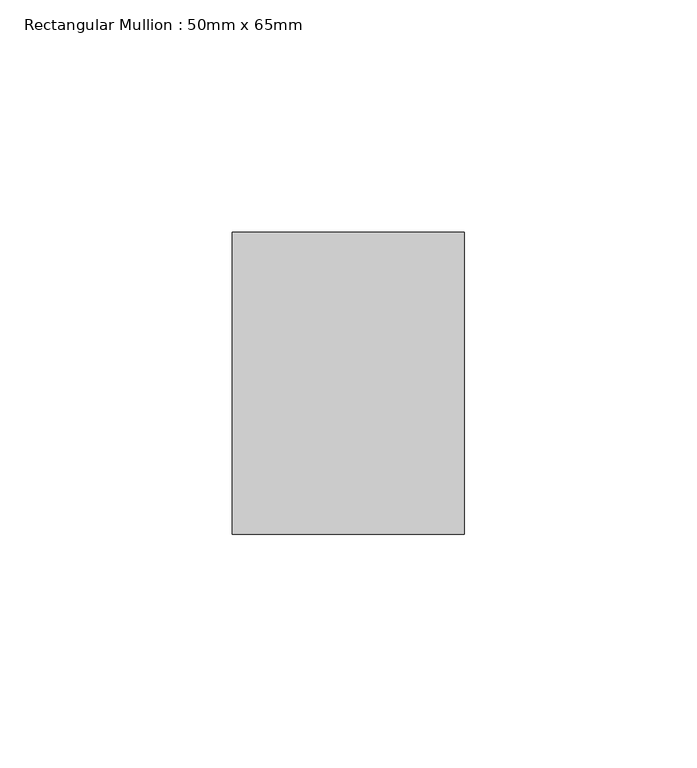
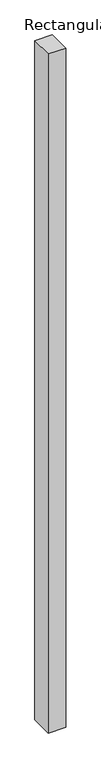
"""IFC4 building model written with IfcOpenShell, lengths in millimetres: member geometry, Rectangular Mullion : 50mm x 65mm."""

from ifc_helpers import new_model, si_unit, frame, origin, place, context, project, spatial, polyline, outline, extrude, source, transform, mapped, element, save


def rectangular_mullion_50mm_x_65mm_1fde7408(model_context):
    return source(origin(), model_context, "Body", "SweptSolid", [
        extrude(outline(polyline([(25.0, 32.5), (25.0, -32.5), (-25.0, -32.5), (-25.0, 32.5), (25.0, 32.5)])), frame((0.0, 0.0, -2042.039154), z_axis=(0.0, 0.0, 1.0), x_axis=(1.0, 0.0, 0.0)), (0.0, 0.0, 1.0), 2042.039154),
    ])


if __name__ == "__main__":
    model = new_model("IFC4")
    model_context = context("Model", 3, world=origin())
    ifc_project = project(units=[si_unit("LENGTHUNIT", "METRE", prefix="MILLI")], contexts=[model_context])
    site = spatial("IfcSite", under=ifc_project)
    building = spatial("IfcBuilding", under=site)
    placement = place(None, origin())
    rectangular_mullion_50mm_x_65mm_shape = rectangular_mullion_50mm_x_65mm_1fde7408(model_context)
    element("IfcMember", 1, ObjectType="Rectangular Mullion : 50mm x 65mm", at=placement, inside=building, context=model_context, shape_type="MappedRepresentation", body=[
        mapped(rectangular_mullion_50mm_x_65mm_shape, transform((0.0, 0.0, 0.0), x_axis=(1.0, 0.0, 0.0), y_axis=(0.0, 1.0, 0.0), z_axis=(0.0, 0.0, 1.0))),
    ])
    save(model, "model.ifc")
